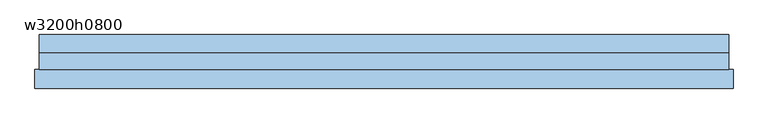
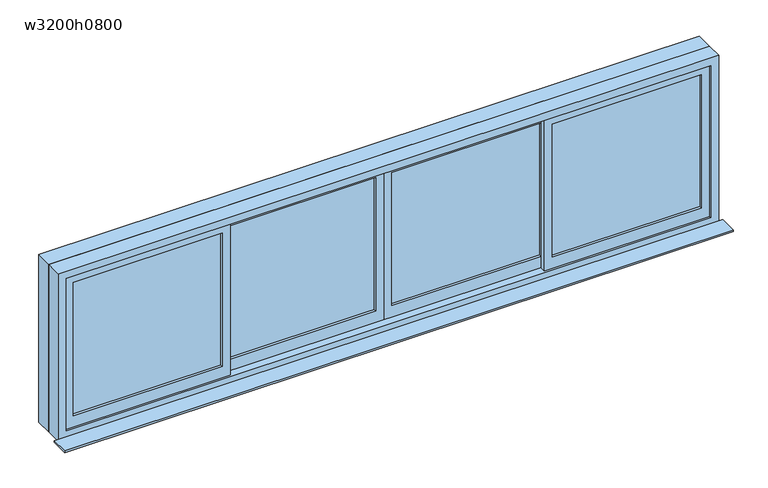
"""IFC4 building model written with IfcOpenShell, lengths in millimetres: window geometry, w3200h0800."""

from ifc_helpers import new_model, si_unit, frame, origin, place, context, project, spatial, polyline, outline, extrude, source, transform, mapped, element, save


def w3200h0800_7d4c1dfd(model_context):
    return source(origin(), model_context, "Body", "SweptSolid", [
        extrude(outline(polyline([(2000.0, 0.0), (2000.0, -820.0), (1200.0, -820.0), (1200.0, 0.0), (2000.0, 0.0)]), holes=[polyline([(1960.0, -780.0), (1960.0, -40.0), (1260.0, -40.0), (1260.0, -780.0), (1960.0, -780.0)])]), frame((0.0, 0.0, 0.0), z_axis=(0.0, 1.0, 0.0), x_axis=(0.0, 0.0, 1.0)), (0.0, 0.0, 1.0), 30.0),
        extrude(outline(polyline([(-820.0, -12.5), (-820.0, -17.5), (-1560.0, -17.5), (-1560.0, -12.5), (-820.0, -12.5)])), frame((0.0, 0.0, 1260.0), z_axis=(0.0, 0.0, 1.0), x_axis=(1.0, 0.0, 0.0)), (0.0, 0.0, 1.0), 700.0),
        extrude(outline(polyline([(1560.0, -12.5), (1560.0, -17.5), (820.0, -17.5), (820.0, -12.5), (1560.0, -12.5)])), frame((0.0, 0.0, 1260.0), z_axis=(0.0, 0.0, 1.0), x_axis=(1.0, 0.0, 0.0)), (0.0, 0.0, 1.0), 700.0),
        extrude(outline(polyline([(780.0, 17.5), (780.0, 12.5), (40.0, 12.5), (40.0, 17.5), (780.0, 17.5)])), frame((0.0, 0.0, 1260.0), z_axis=(0.0, 0.0, 1.0), x_axis=(1.0, 0.0, 0.0)), (0.0, 0.0, 1.0), 700.0),
        extrude(outline(polyline([(-40.0, 17.5), (-40.0, 12.5), (-780.0, 12.5), (-780.0, 17.5), (-40.0, 17.5)])), frame((0.0, 0.0, 1260.0), z_axis=(0.0, 0.0, 1.0), x_axis=(1.0, 0.0, 0.0)), (0.0, 0.0, 1.0), 700.0),
        extrude(outline(polyline([(2000.0, 0.0), (1200.0, 0.0), (1200.0, 820.0), (2000.0, 820.0), (2000.0, 0.0)]), holes=[polyline([(1260.0, 780.0), (1260.0, 40.0), (1960.0, 40.0), (1960.0, 780.0), (1260.0, 780.0)])]), frame((0.0, 0.0, 0.0), z_axis=(0.0, 1.0, 0.0), x_axis=(0.0, 0.0, 1.0)), (0.0, 0.0, 1.0), 30.0),
        extrude(outline(polyline([(2000.0, -1600.0), (1200.0, -1600.0), (1200.0, -780.0), (2000.0, -780.0), (2000.0, -1600.0)]), holes=[polyline([(1260.0, -820.0), (1260.0, -1560.0), (1960.0, -1560.0), (1960.0, -820.0), (1260.0, -820.0)])]), frame((0.0, -30.0, 0.0), z_axis=(0.0, 1.0, 0.0), x_axis=(0.0, 0.0, 1.0)), (0.0, 0.0, 1.0), 30.0),
        extrude(outline(polyline([(2000.0, 1600.0), (2000.0, 780.0), (1200.0, 780.0), (1200.0, 1600.0), (2000.0, 1600.0)]), holes=[polyline([(1260.0, 820.0), (1960.0, 820.0), (1960.0, 1560.0), (1260.0, 1560.0), (1260.0, 820.0)])]), frame((0.0, -30.0, 0.0), z_axis=(0.0, 1.0, 0.0), x_axis=(0.0, 0.0, 1.0)), (0.0, 0.0, 1.0), 30.0),
        extrude(outline(polyline([(1660.0, -130.0), (-1660.0, -130.0), (-1660.0, -40.0), (1660.0, -40.0), (1660.0, -130.0)])), frame((0.0, 0.0, 1160.0), z_axis=(0.0, 0.0, 1.0), x_axis=(1.0, 0.0, 0.0)), (0.0, 0.0, 1.0), 10.0),
        extrude(outline(polyline([(2040.0, 1640.0), (2040.0, -1640.0), (1160.0, -1640.0), (1160.0, 1640.0), (2040.0, 1640.0)]), holes=[polyline([(1180.0, -1620.0), (2020.0, -1620.0), (2020.0, 1620.0), (1180.0, 1620.0), (1180.0, -1620.0)])]), frame((0.0, 40.0, 0.0), z_axis=(0.0, 1.0, 0.0), x_axis=(0.0, 0.0, 1.0)), (0.0, 0.0, 1.0), 85.0),
        extrude(outline(polyline([(2040.0, -1640.0), (1160.0, -1640.0), (1160.0, 1640.0), (2040.0, 1640.0), (2040.0, -1640.0)]), holes=[polyline([(2000.0, 1600.0), (1200.0, 1600.0), (1200.0, -1600.0), (2000.0, -1600.0), (2000.0, 1600.0)])]), frame((0.0, -40.0, 0.0), z_axis=(0.0, 1.0, 0.0), x_axis=(0.0, 0.0, 1.0)), (0.0, 0.0, 1.0), 80.0),
    ])


if __name__ == "__main__":
    model = new_model("IFC4")
    model_context = context("Model", 3, world=origin())
    ifc_project = project(units=[si_unit("LENGTHUNIT", "METRE", prefix="MILLI")], contexts=[model_context])
    site = spatial("IfcSite", under=ifc_project)
    building = spatial("IfcBuilding", under=site)
    placement = place(None, origin())
    w3200h0800_shape = w3200h0800_7d4c1dfd(model_context)
    element("IfcWindow", 1, ObjectType="w3200h0800", at=placement, inside=building, context=model_context, shape_type="MappedRepresentation", body=[
        mapped(w3200h0800_shape, transform((0.0, 0.0, 0.0), x_axis=(1.0, 0.0, 0.0), y_axis=(0.0, 1.0, 0.0), z_axis=(0.0, 0.0, 1.0))),
    ])
    save(model, "model.ifc")
